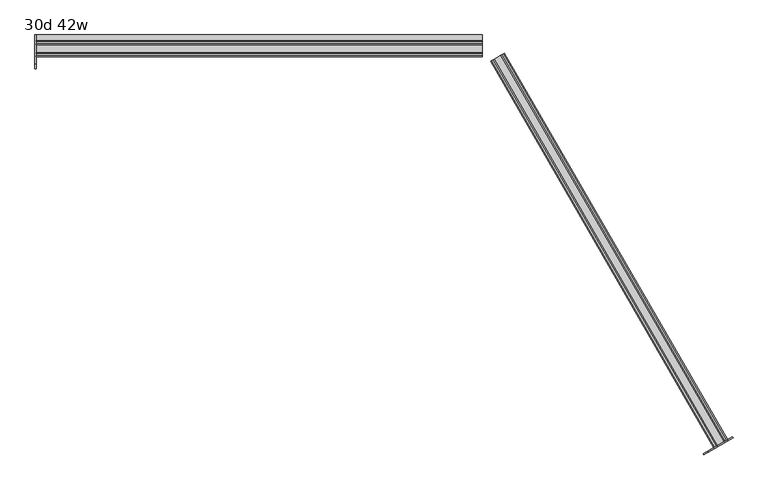
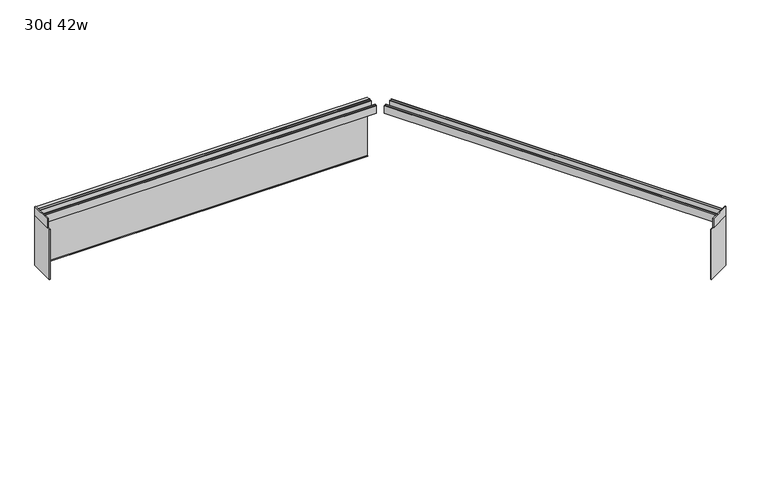
"""IFC4 building model written with IfcOpenShell, lengths in millimetres: furniture geometry, 30d 42w."""

from ifc_helpers import new_model, si_unit, frame, origin, place, context, project, spatial, polyline, outline, extrude, source, transform, mapped, element, save


def furniture_30d_42w_f4185611(model_context):
    return source(origin(), model_context, "Body", "SweptSolid", [
        extrude(outline(polyline([(-359.1397539, 542.478661), (-363.5439909, 542.478661), (-363.5439909, 543.272411), (-359.9335039, 543.272411), (-359.9335039, 738.7080593), (-371.8079002, 738.7080593), (-371.8079002, 729.9768093), (-372.6016502, 729.9768093), (-372.6016502, 739.5018093), (-359.1397539, 739.5018093), (-359.1397539, 542.478661)])), frame((2850.845945, 0.0, 0.0), z_axis=(1.0, 0.0, 0.0), x_axis=(0.0, 1.0, 0.0)), (0.0, 0.0, 1.0), 1060.45),
        extrude(outline(polyline([(0.0, 0.0), (0.0, -25.4), (-1.5875, -25.4), (-1.5875, -4.7625), (-7.9375, -4.7625), (-7.9375, -25.4), (-9.525, -25.4), (-9.525, -1.5875), (-28.575, -1.5875), (-28.575, -25.4), (-30.1625, -25.4), (-30.1625, -4.7625), (-36.5125, -4.7625), (-36.5125, -25.4), (-38.1, -25.4), (-38.1, 0.0), (0.0, 0.0)])), frame((4493.7145738, -1321.1122953, 715.9625), z_axis=(-0.4999999999999958, 0.8660254037844412, 0.0), x_axis=(0.8660254037844412, 0.4999999999999958, 0.0)), (0.0, 0.0, 1.0), 1060.45),
        extrude(outline(polyline([(-410.7016502, 715.9625), (-410.7016502, 741.3625), (-409.1141502, 741.3625), (-409.1141502, 720.725), (-402.7641502, 720.725), (-402.7641502, 741.3625), (-401.1766502, 741.3625), (-401.1766502, 717.55), (-382.1266502, 717.55), (-382.1266502, 741.3625), (-380.5391502, 741.3625), (-380.5391502, 720.725), (-374.1891502, 720.725), (-374.1891502, 741.3625), (-372.6016502, 741.3625), (-372.6016502, 715.9625), (-410.7016502, 715.9625)])), frame((2850.845945, 0.0, 0.0), z_axis=(1.0, 0.0, 0.0), x_axis=(0.0, 1.0, 0.0)), (0.0, 0.0, 1.0), 1060.45),
        extrude(outline(polyline([(4506.8338425, -1316.8480352), (4447.7167833, -1350.9792852), (4446.283445, -1348.4966703), (4505.4005041, -1314.3654203), (4506.8338425, -1316.8480352)])), frame((0.0, 0.0, 711.2), z_axis=(0.0, 0.0, 1.0), x_axis=(1.0, 0.0, 0.0)), (0.0, 0.0, 1.0), 30.1625),
        extrude(outline(polyline([(4506.8338425, -1316.8480352), (4437.4056684, -1356.9324102), (4435.97233, -1354.4497953), (4505.4005041, -1314.3654203), (4506.8338425, -1316.8480352)])), frame((0.0, 0.0, 542.528125), z_axis=(0.0, 0.0, 1.0), x_axis=(1.0, 0.0, 0.0)), (0.0, 0.0, 1.0), 168.671875),
        extrude(outline(polyline([(2847.670945, -427.3704002), (2847.670945, -359.1079002), (2850.845945, -359.1079002), (2850.845945, -427.3704002), (2847.670945, -427.3704002)])), frame((0.0, 0.0, 711.2), z_axis=(0.0, 0.0, 1.0), x_axis=(1.0, 0.0, 0.0)), (0.0, 0.0, 1.0), 30.1625),
        extrude(outline(polyline([(2847.670945, -439.2766502), (2847.670945, -359.1079002), (2850.845945, -359.1079002), (2850.845945, -439.2766502), (2847.670945, -439.2766502)])), frame((0.0, 0.0, 542.528125), z_axis=(0.0, 0.0, 1.0), x_axis=(1.0, 0.0, 0.0)), (0.0, 0.0, 1.0), 168.671875),
    ])


if __name__ == "__main__":
    model = new_model("IFC4")
    model_context = context("Model", 3, world=origin())
    ifc_project = project(units=[si_unit("LENGTHUNIT", "METRE", prefix="MILLI")], contexts=[model_context])
    site = spatial("IfcSite", under=ifc_project)
    building = spatial("IfcBuilding", under=site)
    placement = place(None, origin())
    furniture_30d_42w_shape = furniture_30d_42w_f4185611(model_context)
    element("IfcFurniture", 1, ObjectType="30d 42w", at=placement, inside=building, context=model_context, shape_type="MappedRepresentation", body=[
        mapped(furniture_30d_42w_shape, transform((0.0, 0.0, 0.0), x_axis=(1.0, 0.0, 0.0), y_axis=(0.0, 1.0, 0.0), z_axis=(0.0, 0.0, 1.0))),
    ])
    save(model, "model.ifc")
